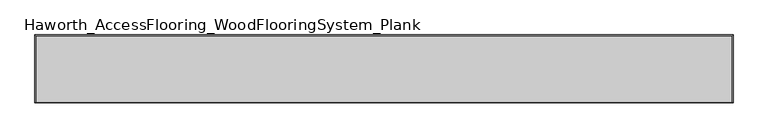
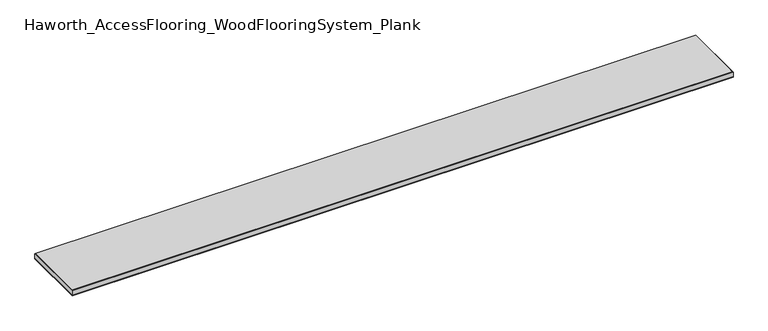
"""IFC4 building model written with IfcOpenShell, lengths in millimetres: proxy geometry, Haworth_AccessFlooring_WoodFlooringSystem_Plank."""

from ifc_helpers import new_model, si_unit, frame, origin, place, context, project, spatial, polyline, outline, extrude, faceted_brep, source, transform, mapped, element, save


def haworth_accessflooring_woodflooringsystem_plank_3fb64cb2(model_context):
    return source(origin(), model_context, "Body", "SolidModel", [
        extrude(outline(polyline([(914.4, 88.9), (914.4, -88.9), (-914.4, -88.9), (-914.4, 88.9), (914.4, 88.9)])), frame((0.0, 0.0, -15.875), z_axis=(0.0, 0.0, 1.0), x_axis=(1.0, 0.0, 0.0)), (0.0, 0.0, 1.0), 0.9921875),
        faceted_brep([(914.4, 88.9, -14.8828125), (914.4, -88.9, -14.8828125), (-914.4, -88.9, -14.8828125), (-914.4, 88.9, -14.8828125), (-914.4, 88.9, -1.5875), (914.4, 88.9, -1.5875), (-914.4, -88.9, -1.5875), (914.4, -88.9, -1.5875), (912.8125, 87.3125, 0.0), (-912.8125, 87.3125, 0.0), (-912.8125, -87.3125, 0.0), (912.8125, -87.3125, 0.0)], [[[0, 1, 2, 3]], [[0, 3, 4, 5]], [[3, 2, 6, 4]], [[2, 1, 7, 6]], [[1, 0, 5, 7]], [[8, 9, 10, 11]], [[9, 8, 5, 4]], [[10, 9, 4, 6]], [[11, 10, 6, 7]], [[8, 11, 7, 5]]]),
    ])


if __name__ == "__main__":
    model = new_model("IFC4")
    model_context = context("Model", 3, world=origin())
    ifc_project = project(units=[si_unit("LENGTHUNIT", "METRE", prefix="MILLI")], contexts=[model_context])
    site = spatial("IfcSite", under=ifc_project)
    building = spatial("IfcBuilding", under=site)
    placement = place(None, origin())
    haworth_accessflooring_woodflooringsystem_plank_shape = haworth_accessflooring_woodflooringsystem_plank_3fb64cb2(model_context)
    element("IfcBuildingElementProxy", 1, Name="Haworth_AccessFlooring_WoodFlooringSystem_Plank", ObjectType="Haworth_AccessFlooring_WoodFlooringSystem_Plank", at=placement, inside=building, context=model_context, shape_type="MappedRepresentation", body=[
        mapped(haworth_accessflooring_woodflooringsystem_plank_shape, transform((0.0, 0.0, 0.0), x_axis=(1.0, 0.0, 0.0), y_axis=(0.0, 1.0, 0.0), z_axis=(0.0, 0.0, 1.0))),
    ])
    save(model, "model.ifc")
